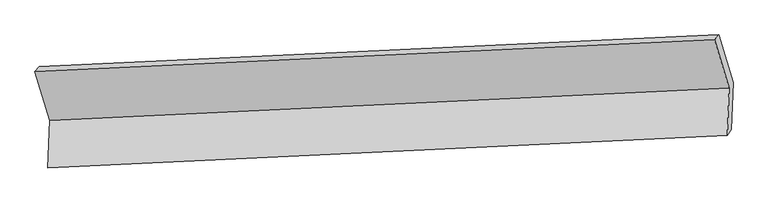
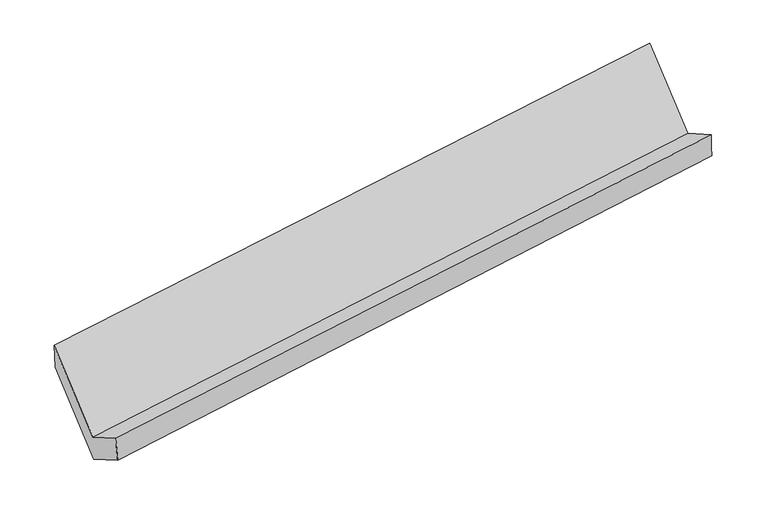
"""IFC4 building model written with IfcOpenShell, lengths in millimetres: proxy geometry."""

from ifc_helpers import new_model, si_unit, frame, origin, place, context, project, spatial, source, transform, mapped, element, save
from ifc_brep_helpers import plane_surface, spline_surface, advanced_brep


def generic_models_7baa52a1(model_context):
    return source(origin(), model_context, "Body", "AdvancedBrep", [
        advanced_brep(
        [(-5171.4893051, -1637.7269711, 1438.2034358), (-5183.552741, -1963.2783201, 1628.2710222), (-516.4735002, -1740.3635821, 2306.2993352), (-504.4100643, -1414.8122331, 2116.2317488), (-5154.9200133, -1937.0717663, 1424.9888264), (-489.0193549, -1700.4991801, 2106.4919236), (-5142.5367339, -1602.8889249, 1229.8818909), (-476.955919, -1374.9478311, 1916.4243372), (-5243.0309303, -1265.7887684, 1800.8951156), (-574.4532636, -1047.9003863, 2470.4092953), (-5271.9835015, -1300.6268145, 2009.2166605), (-603.4058348, -1082.7384324, 2678.7308402)],
        [
            (0, 1),
            (1, 2),
            (2, 3),
            (3, 0),
            (1, 4),
            (4, 5),
            (5, 2),
            (4, 6),
            (6, 7),
            (7, 5),
            (6, 8),
            (8, 9),
            (9, 7),
            (8, 10),
            (10, 11),
            (11, 9),
            (10, 0),
            (3, 11),
        ],
        [
            plane_surface(frame((-5177.5210231, -1800.5026456, 1533.237229), z_axis=(-0.14774921661695753, 0.5027367177828265, 0.8517194148204128), x_axis=(-0.031984341359218994, -0.863149235088384, 0.5039349163078052))),
            spline_surface(1, 1, [[(-5183.552741, -1963.2783201, 1628.2710222), (-516.4735002, -1740.3635821, 2306.2993352)], [(-5154.9200133, -1937.0717663, 1424.9888264), (-489.0193549, -1700.4991801, 2106.4919236)]], [2, 2], [2, 2], [0.0, 1.0], [0.0, 1.0]),
            plane_surface(frame((-5148.7283736, -1769.9803456, 1327.4353587), z_axis=(0.1498425869004292, -0.5026355881791668, -0.8514133336087536), x_axis=(0.03198434135921877, 0.8631492350883844, -0.5039349163078046))),
            plane_surface(frame((-5192.7838321, -1434.3388467, 1515.3885032), z_axis=(0.03198434135922008, 0.8631492350883803, -0.5039349163078116), x_axis=(-0.14984258690042196, 0.5026355881791741, 0.8514133336087504))),
            plane_surface(frame((-5257.5072159, -1283.2077914, 1905.055888), z_axis=(-0.06826880898533388, 0.9855025032841616, 0.1553196244534973), x_axis=(-0.13580667520552514, -0.16341343860504, 0.9771655924421909))),
            plane_surface(frame((-5221.7364033, -1469.1768928, 1723.7100481), z_axis=(-0.03198434135921832, -0.8631492350883901, 0.5039349163077949), x_axis=(0.14984258690042287, -0.5026355881791572, -0.8514133336087601))),
            plane_surface(frame((-527.4529895, -1393.5436075, 2265.7645801), z_axis=(0.9881923907108406, 0.04827901678907945, 0.14541298249837695), x_axis=(-0.13580667520552514, -0.16341343860504, 0.9771655924421909))),
            plane_surface(frame((-5194.5855375, -1617.8969275, 1588.5761586), z_axis=(-0.9881923907108402, -0.04827901678907162, -0.14541298249838244), x_axis=(-0.1498425869004231, 0.5026355881791732, 0.8514133336087507))),
        ],
        [
            (0, [[1, 2, 3, 4]]),
            (1, [[5, 6, 7, -2]]),
            (2, [[8, 9, 10, -6]]),
            (3, [[11, 12, 13, -9]]),
            (4, [[14, 15, 16, -12]]),
            (5, [[17, -4, 18, -15]]),
            (6, [[-16, -18, -3, -7, -10, -13]]),
            (7, [[-17, -14, -11, -8, -5, -1]]),
        ],
    ),
    ])


if __name__ == "__main__":
    model = new_model("IFC4")
    model_context = context("Model", 3, world=origin())
    ifc_project = project(units=[si_unit("LENGTHUNIT", "METRE", prefix="MILLI")], contexts=[model_context])
    site = spatial("IfcSite", under=ifc_project)
    building = spatial("IfcBuilding", under=site)
    placement = place(None, origin())
    generic_models_shape = generic_models_7baa52a1(model_context)
    element("IfcBuildingElementProxy", 1, Name="Generic Models", at=placement, inside=building, context=model_context, shape_type="MappedRepresentation", body=[
        mapped(generic_models_shape, transform((0.0, 0.0, 0.0), x_axis=(1.0, 0.0, 0.0), y_axis=(0.0, 1.0, 0.0), z_axis=(0.0, 0.0, 1.0))),
    ])
    save(model, "model.ifc")
